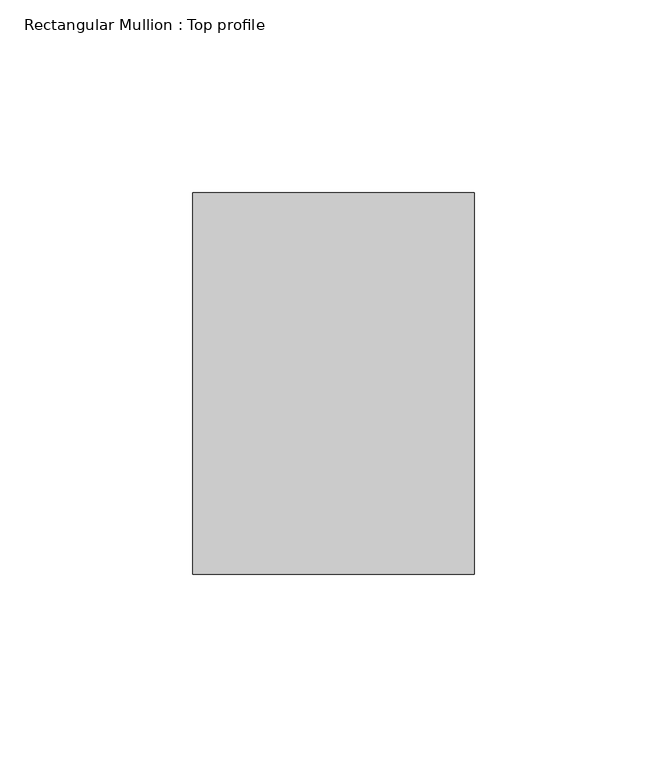
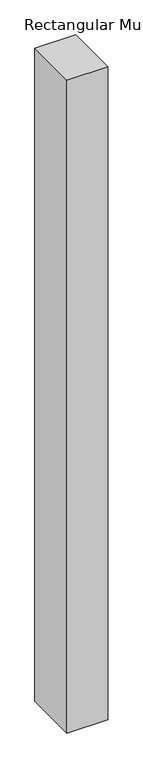
"""IFC4 building model written with IfcOpenShell, lengths in millimetres: member geometry, Rectangular Mullion : Top profile."""

from ifc_helpers import new_model, si_unit, frame, origin, place, context, project, spatial, polyline, outline, extrude, source, transform, mapped, element, save


def rectangular_mullion_top_profile_9dce58f4(model_context):
    return source(origin(), model_context, "Body", "SweptSolid", [
        extrude(outline(polyline([(-73.0, -49.5), (-73.0, 49.5), (0.0, 49.5), (0.0, -49.5), (-73.0, -49.5)])), frame((0.0, 0.0, -1230.0), z_axis=(0.0, 0.0, 1.0), x_axis=(1.0, 0.0, 0.0)), (0.0, 0.0, 1.0), 1230.0),
    ])


if __name__ == "__main__":
    model = new_model("IFC4")
    model_context = context("Model", 3, world=origin())
    ifc_project = project(units=[si_unit("LENGTHUNIT", "METRE", prefix="MILLI")], contexts=[model_context])
    site = spatial("IfcSite", under=ifc_project)
    building = spatial("IfcBuilding", under=site)
    placement = place(None, origin())
    rectangular_mullion_top_profile_shape = rectangular_mullion_top_profile_9dce58f4(model_context)
    element("IfcMember", 1, ObjectType="Rectangular Mullion : Top profile", at=placement, inside=building, context=model_context, shape_type="MappedRepresentation", body=[
        mapped(rectangular_mullion_top_profile_shape, transform((0.0, 0.0, 0.0), x_axis=(1.0, 0.0, 0.0), y_axis=(0.0, 1.0, 0.0), z_axis=(0.0, 0.0, 1.0))),
    ])
    save(model, "model.ifc")
